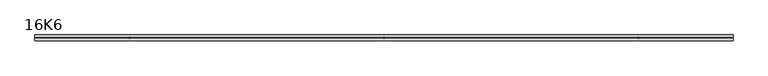
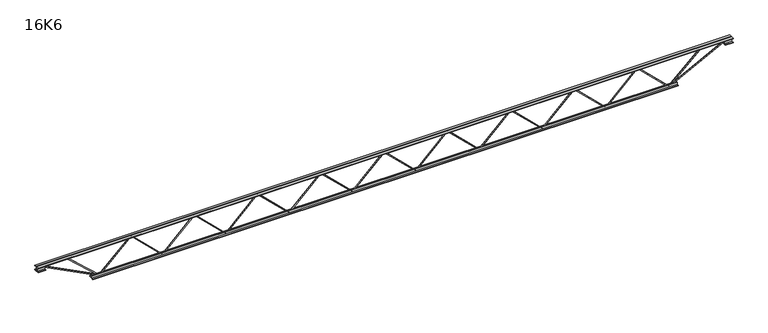
"""IFC4 building model written with IfcOpenShell, lengths in millimetres: beam geometry, 16K6."""

from ifc_helpers import new_model, si_unit, frame, origin, place, context, project, spatial, polyline, outline, extrude, source, transform, mapped, element, save


def beam_16k6_9134982d(model_context):
    return source(origin(), model_context, "Body", "SweptSolid", [
        extrude(outline(polyline([(-191.9, 2055.9305556), (-201.4, 2055.9305556), (-201.4, 2061.0332307), (191.9, 2465.7943418), (191.9, 2468.2889915), (-201.4, 2873.0501026), (-201.4, 2878.1527778), (-191.9, 2878.1527778), (-191.9, 2876.9054529), (201.4, 2472.1443418), (201.4, 2461.9389915), (-191.9, 2057.1778804), (-191.9, 2055.9305556)])), frame((0.0, -4.75, 0.0), z_axis=(0.0, 1.0, 0.0), x_axis=(0.0, 0.0, 1.0)), (0.0, 0.0, 1.0), 9.5),
        extrude(outline(polyline([(-191.9, 1233.5833333), (-201.4, 1233.5833333), (-201.4, 1238.6860085), (191.9, 1643.4471196), (191.9, 1645.9417693), (-201.4, 2050.7028804), (-201.4, 2055.8055556), (-191.9, 2055.8055556), (-191.9, 2054.5582307), (201.4, 1649.7971196), (201.4, 1639.5917693), (-191.9, 1234.8306582), (-191.9, 1233.5833333)])), frame((0.0, -4.75, 0.0), z_axis=(0.0, 1.0, 0.0), x_axis=(0.0, 0.0, 1.0)), (0.0, 0.0, 1.0), 9.5),
        extrude(outline(polyline([(-191.9, 411.2361111), (-201.4, 411.2361111), (-201.4, 416.3387863), (191.9, 821.0998974), (191.9, 823.5945471), (-201.4, 1228.3556582), (-201.4, 1233.4583333), (-191.9, 1233.4583333), (-191.9, 1232.2110085), (201.4, 827.4498974), (201.4, 817.2445471), (-191.9, 412.483436), (-191.9, 411.2361111)])), frame((0.0, -4.75, 0.0), z_axis=(0.0, 1.0, 0.0), x_axis=(0.0, 0.0, 1.0)), (0.0, 0.0, 1.0), 9.5),
        extrude(outline(polyline([(-191.9, -411.1111111), (-201.4, -411.1111111), (-201.4, -406.008436), (191.9, -1.2473248), (191.9, 1.2473248), (-201.4, 406.008436), (-201.4, 411.1111111), (-191.9, 411.1111111), (-191.9, 409.8637863), (201.4, 5.1026752), (201.4, -5.1026752), (-191.9, -409.8637863), (-191.9, -411.1111111)])), frame((0.0, -4.75, 0.0), z_axis=(0.0, 1.0, 0.0), x_axis=(0.0, 0.0, 1.0)), (0.0, 0.0, 1.0), 9.5),
        extrude(outline(polyline([(-191.9, -1233.4583333), (-201.4, -1233.4583333), (-201.4, -1228.3556582), (191.9, -823.5945471), (191.9, -821.0998974), (-201.4, -416.3387863), (-201.4, -411.2361111), (-191.9, -411.2361111), (-191.9, -412.483436), (201.4, -817.2445471), (201.4, -827.4498974), (-191.9, -1232.2110085), (-191.9, -1233.4583333)])), frame((0.0, -4.75, 0.0), z_axis=(0.0, 1.0, 0.0), x_axis=(0.0, 0.0, 1.0)), (0.0, 0.0, 1.0), 9.5),
        extrude(outline(polyline([(-191.9, -2055.8055556), (-201.4, -2055.8055556), (-201.4, -2050.7028804), (191.9, -1645.9417693), (191.9, -1643.4471196), (-201.4, -1238.6860085), (-201.4, -1233.5833333), (-191.9, -1233.5833333), (-191.9, -1234.8306582), (201.4, -1639.5917693), (201.4, -1649.7971196), (-191.9, -2054.5582307), (-191.9, -2055.8055556)])), frame((0.0, -4.75, 0.0), z_axis=(0.0, 1.0, 0.0), x_axis=(0.0, 0.0, 1.0)), (0.0, 0.0, 1.0), 9.5),
        extrude(outline(polyline([(-191.9, -2878.1527778), (-201.4, -2878.1527778), (-201.4, -2873.0501026), (191.9, -2468.2889915), (191.9, -2465.7943418), (-201.4, -2061.0332307), (-201.4, -2055.9305556), (-191.9, -2055.9305556), (-191.9, -2057.1778804), (201.4, -2461.9389915), (201.4, -2472.1443418), (-191.9, -2876.9054529), (-191.9, -2878.1527778)])), frame((0.0, -4.75, 0.0), z_axis=(0.0, 1.0, 0.0), x_axis=(0.0, 0.0, 1.0)), (0.0, 0.0, 1.0), 9.5),
        extrude(outline(polyline([(-191.9, 2878.2777778), (-201.4, 2878.2777778), (-201.4, 2883.3804529), (191.9, 3288.141564), (191.9, 3290.6362137), (-201.4, 3695.3973248), (-201.4, 3700.5), (-191.9, 3700.5), (-191.9, 3699.2526752), (201.4, 3294.491564), (201.4, 3284.2862137), (-191.9, 2879.5251026), (-191.9, 2878.2777778)])), frame((0.0, -4.75, 0.0), z_axis=(0.0, 1.0, 0.0), x_axis=(0.0, 0.0, 1.0)), (0.0, 0.0, 1.0), 9.5),
        extrude(outline(polyline([(-191.9, -3700.5), (-201.4, -3700.5), (-201.4, -3695.3973248), (191.9, -3290.6362137), (191.9, -3288.141564), (-201.4, -2883.3804529), (-201.4, -2878.2777778), (-191.9, -2878.2777778), (-191.9, -2879.5251026), (201.4, -3284.2862137), (201.4, -3294.491564), (-191.9, -3699.2526752), (-191.9, -3700.5)])), frame((0.0, -4.75, 0.0), z_axis=(0.0, 1.0, 0.0), x_axis=(0.0, 0.0, 1.0)), (0.0, 0.0, 1.0), 9.5),
        extrude(outline(polyline([(4.75, 203.0), (36.75, 203.0), (36.75, 196.5), (11.25, 196.5), (11.25, 171.0), (4.75, 171.0), (4.75, 203.0)])), frame((-4512.5, 0.0, 0.0), z_axis=(1.0, 0.0, 0.0), x_axis=(0.0, 1.0, 0.0)), (0.0, 0.0, 1.0), 9025.0),
        extrude(outline(polyline([(-4.75, 203.0), (-4.75, 171.0), (-11.25, 171.0), (-11.25, 196.5), (-36.75, 196.5), (-36.75, 203.0), (-4.75, 203.0)])), frame((-4512.5, 0.0, 0.0), z_axis=(1.0, 0.0, 0.0), x_axis=(0.0, 1.0, 0.0)), (0.0, 0.0, 1.0), 9025.0),
        extrude(outline(polyline([(-4.75, 139.5), (-36.75, 139.5), (-36.75, 146.0), (-11.25, 146.0), (-11.25, 171.0), (-4.75, 171.0), (-4.75, 139.5)])), frame((-4512.5, 0.0, 0.0), z_axis=(1.0, 0.0, 0.0), x_axis=(0.0, 1.0, 0.0)), (0.0, 0.0, 1.0), 100.0),
        extrude(outline(polyline([(36.75, 139.5), (4.75, 139.5), (4.75, 171.0), (11.25, 171.0), (11.25, 146.0), (36.75, 146.0), (36.75, 139.5)])), frame((-4512.5, 0.0, 0.0), z_axis=(1.0, 0.0, 0.0), x_axis=(0.0, 1.0, 0.0)), (0.0, 0.0, 1.0), 100.0),
        extrude(outline(polyline([(4.75, 139.5), (4.75, 171.0), (11.25, 171.0), (11.25, 146.0), (36.75, 146.0), (36.75, 139.5), (4.75, 139.5)])), frame((4412.5, 0.0, 0.0), z_axis=(1.0, 0.0, 0.0), x_axis=(0.0, 1.0, 0.0)), (0.0, 0.0, 1.0), 100.0),
        extrude(outline(polyline([(-4.75, 139.5), (-36.75, 139.5), (-36.75, 146.0), (-11.25, 146.0), (-11.25, 171.0), (-4.75, 171.0), (-4.75, 139.5)])), frame((4412.5, 0.0, 0.0), z_axis=(1.0, 0.0, 0.0), x_axis=(0.0, 1.0, 0.0)), (0.0, 0.0, 1.0), 100.0),
        extrude(outline(polyline([(4.75, -203.0), (4.75, -171.0), (11.25, -171.0), (11.25, -196.5), (36.75, -196.5), (36.75, -203.0), (4.75, -203.0)])), frame((-3800.5, 0.0, 0.0), z_axis=(1.0, 0.0, 0.0), x_axis=(0.0, 1.0, 0.0)), (0.0, 0.0, 1.0), 7601.0),
        extrude(outline(polyline([(-4.75, -203.0), (-36.75, -203.0), (-36.75, -196.5), (-11.25, -196.5), (-11.25, -171.0), (-4.75, -171.0), (-4.75, -203.0)])), frame((-3800.5, 0.0, 0.0), z_axis=(1.0, 0.0, 0.0), x_axis=(0.0, 1.0, 0.0)), (0.0, 0.0, 1.0), 7601.0),
        extrude(outline(polyline([(-200.8705467, -3702.6793315), (-192.4294533, -3698.3206685), (175.75, -4411.3460208), (175.75, -4512.5), (166.25, -4512.5), (166.25, -4413.6539792), (-200.8705467, -3702.6793315)])), frame((0.0, -4.75, 0.0), z_axis=(0.0, 1.0, 0.0), x_axis=(0.0, 0.0, 1.0)), (0.0, 0.0, 1.0), 9.5),
        extrude(outline(polyline([(188.7, -4131.568254), (179.2, -4131.568254), (179.2, -4120.7055839), (-200.1636065, -3703.6964151), (-193.1363935, -3697.3035849), (188.7, -4117.030924), (188.7, -4131.568254)])), frame((0.0, -4.75, 0.0), z_axis=(0.0, 1.0, 0.0), x_axis=(0.0, 0.0, 1.0)), (0.0, 0.0, 1.0), 9.5),
        extrude(outline(polyline([(0.0, -9.5), (0.0, 0.0), (801.3179909, 0.0), (801.3179909, -9.5), (0.0, -9.5)])), frame((4414.6793315, -4.75, 166.7794533), z_axis=(-0.4588066213244959, 0.0, 0.8885361468329809), x_axis=(-0.8885361468329809, 0.0, -0.4588066213244959)), (0.0, 0.0, 1.0), 9.5),
        extrude(outline(polyline([(0.0, -9.5), (0.0, 0.0), (579.5186524, 0.0), (579.5186524, -9.5), (0.0, -9.5)])), frame((4129.3490636, -4.75, 193.1613795), z_axis=(-0.678666680364148, 0.0, 0.7344464153112242), x_axis=(-0.7344464153112242, 0.0, -0.678666680364148)), (0.0, 0.0, 1.0), 9.5),
    ])


if __name__ == "__main__":
    model = new_model("IFC4")
    model_context = context("Model", 3, world=origin())
    ifc_project = project(units=[si_unit("LENGTHUNIT", "METRE", prefix="MILLI")], contexts=[model_context])
    site = spatial("IfcSite", under=ifc_project)
    building = spatial("IfcBuilding", under=site)
    placement = place(None, origin())
    beam_16k6_shape = beam_16k6_9134982d(model_context)
    element("IfcBeam", 1, ObjectType="16K6", at=placement, inside=building, context=model_context, shape_type="MappedRepresentation", body=[
        mapped(beam_16k6_shape, transform((0.0, 0.0, 0.0), x_axis=(1.0, 0.0, 0.0), y_axis=(0.0, 1.0, 0.0), z_axis=(0.0, 0.0, 1.0))),
    ])
    save(model, "model.ifc")
